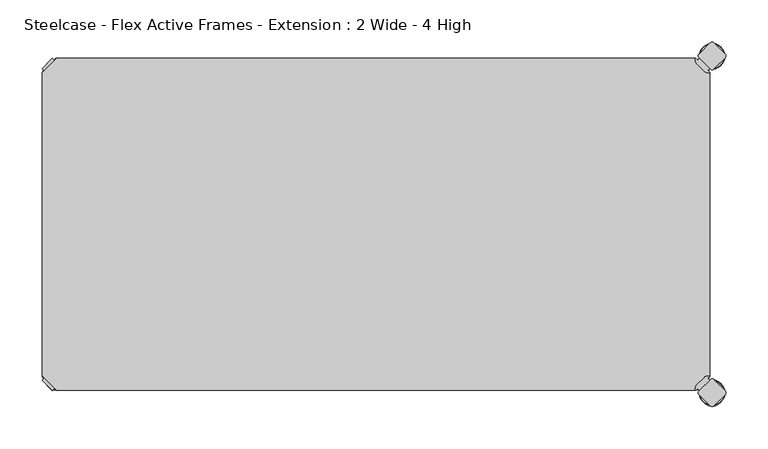
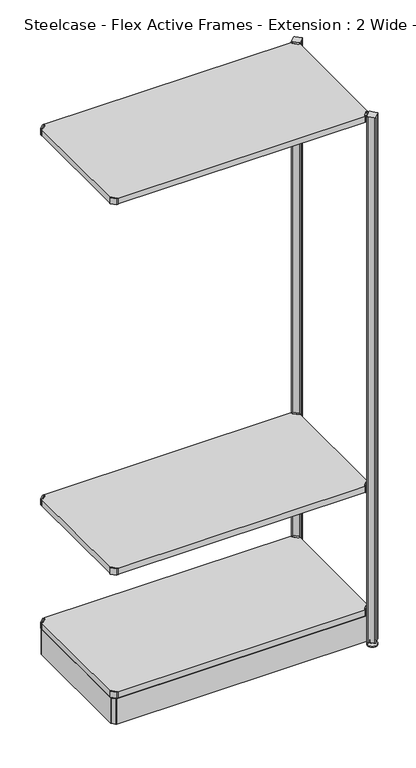
"""IFC4 building model written with IfcOpenShell, lengths in millimetres: furniture geometry, Steelcase - Flex Active Frames - Extension : 2 Wide - 4 High."""

from ifc_helpers import new_model, si_unit, point, frame, frame_2d, origin, place, context, project, spatial, polyline, circle_curve, ellipse_curve, trimmed, segment, composite_curve, outline, extrude, source, transform, mapped, element, save
from ifc_brep_helpers import plane_surface, cylinder_surface, revolved_surface, advanced_brep


def steelcase_flex_active_frames_extension_2_wide_4_high_0afe5132(model_context):
    return source(origin(), model_context, "Body", "SolidModel", [
        advanced_brep(
        [(795.4995166, -396.9286835, 0.0), (809.4482375, -396.9286835, 0.0), (781.5507958, -396.9286835, 0.0), (810.3951451, -396.9286835, 2.116325), (780.6038882, -396.9286835, 2.116325), (804.2429012, -396.9286835, 8.9997406), (786.7561321, -396.9286835, 8.9997406), (802.9003852, -396.9286835, 8.9997406), (788.0986481, -396.9286835, 8.9997406), (802.9003852, -396.9286835, 12.0919909), (788.0986481, -396.9286835, 12.0919909), (802.3923852, -396.9286835, 12.5999909), (788.6066481, -396.9286835, 12.5999909), (799.518847, -396.9286835, 12.5999909), (791.4801863, -396.9286835, 12.5999909), (799.518847, -396.9286835, 22.7146261), (791.4801863, -396.9286835, 22.7146261), (795.4995166, -396.9286835, 22.7146261)],
        [
            (0, 1),
            (1, 2, circle_curve(frame((795.4995166, -396.9286835, 0.0), z_axis=(0.0, 0.0, -1.0), x_axis=(1.0, 0.0, 0.0)), 13.9487209)),
            (2, 0),
            (2, 1, circle_curve(frame((795.4995166, -396.9286835, 0.0), z_axis=(0.0, 0.0, -1.0), x_axis=(1.0, 0.0, 0.0)), 13.9487209)),
            (1, 3, circle_curve(frame((809.4482375, -396.9286835, 1.27), z_axis=(0.0, -1.0, 0.0), x_axis=(1.0, 0.0, 0.0)), 1.27)),
            (3, 4, circle_curve(frame((795.4995166, -396.9286835, 2.116325), z_axis=(0.0, 0.0, -1.0), x_axis=(1.0, 0.0, 0.0)), 14.8956285)),
            (4, 2, circle_curve(frame((781.5507958, -396.9286835, 1.27), z_axis=(0.0, -1.0, 0.0), x_axis=(-1.0, 0.0, 0.0)), 1.27)),
            (4, 3, circle_curve(frame((795.4995166, -396.9286835, 2.116325), z_axis=(0.0, 0.0, -1.0), x_axis=(1.0, 0.0, 0.0)), 14.8956285)),
            (3, 5),
            (5, 6, circle_curve(frame((795.4995166, -396.9286835, 8.9997406), z_axis=(0.0, 0.0, -1.0), x_axis=(1.0, 0.0, 0.0)), 8.7433846)),
            (6, 4),
            (6, 5, circle_curve(frame((795.4995166, -396.9286835, 8.9997406), z_axis=(0.0, 0.0, -1.0), x_axis=(1.0, 0.0, 0.0)), 8.7433846)),
            (5, 7),
            (7, 8, circle_curve(frame((795.4995166, -396.9286835, 8.9997406), z_axis=(0.0, 0.0, -1.0), x_axis=(1.0, 0.0, 0.0)), 7.4008685)),
            (8, 6),
            (8, 7, circle_curve(frame((795.4995166, -396.9286835, 8.9997406), z_axis=(0.0, 0.0, -1.0), x_axis=(1.0, 0.0, 0.0)), 7.4008685)),
            (7, 9),
            (9, 10, circle_curve(frame((795.4995166, -396.9286835, 12.0919909), z_axis=(0.0, 0.0, -1.0), x_axis=(1.0, 0.0, 0.0)), 7.4008685)),
            (10, 8),
            (10, 9, circle_curve(frame((795.4995166, -396.9286835, 12.0919909), z_axis=(0.0, 0.0, -1.0), x_axis=(1.0, 0.0, 0.0)), 7.4008685)),
            (9, 11, circle_curve(frame((802.3923852, -396.9286835, 12.0919909), z_axis=(0.0, -1.0, 0.0), x_axis=(1.0, 0.0, 0.0)), 0.508)),
            (11, 12, circle_curve(frame((795.4995166, -396.9286835, 12.5999909), z_axis=(0.0, 0.0, -1.0), x_axis=(1.0, 0.0, 0.0)), 6.8928685)),
            (12, 10, circle_curve(frame((788.6066481, -396.9286835, 12.0919909), z_axis=(0.0, -1.0, 0.0), x_axis=(-1.0, 0.0, 0.0)), 0.508)),
            (12, 11, circle_curve(frame((795.4995166, -396.9286835, 12.5999909), z_axis=(0.0, 0.0, -1.0), x_axis=(1.0, 0.0, 0.0)), 6.8928685)),
            (11, 13),
            (13, 14, circle_curve(frame((795.4995166, -396.9286835, 12.5999909), z_axis=(0.0, 0.0, -1.0), x_axis=(1.0, 0.0, 0.0)), 4.0193303)),
            (14, 12),
            (14, 13, circle_curve(frame((795.4995166, -396.9286835, 12.5999909), z_axis=(0.0, 0.0, -1.0), x_axis=(1.0, 0.0, 0.0)), 4.0193303)),
            (13, 15),
            (15, 16, circle_curve(frame((795.4995166, -396.9286835, 22.7146261), z_axis=(0.0, 0.0, -1.0), x_axis=(1.0, 0.0, 0.0)), 4.0193303)),
            (16, 14),
            (16, 15, circle_curve(frame((795.4995166, -396.9286835, 22.7146261), z_axis=(0.0, 0.0, -1.0), x_axis=(1.0, 0.0, 0.0)), 4.0193303)),
            (15, 17),
            (17, 16),
        ],
        [
            plane_surface(frame((795.4995166, -396.9286835, 0.0), z_axis=(0.0, 0.0, -1.0), x_axis=(1.0, 0.0, 0.0))),
            revolved_surface(trimmed(ellipse_curve(frame((809.4482375, -396.9286835, 1.27), z_axis=(0.0, 1.0, 0.0), x_axis=(1.0, 0.0, 0.0)), 1.27, 1.27), [point((810.3951451, -396.9286835, 2.116325))], [point((809.4482375, -396.9286835, 0.0))], True, "CARTESIAN"), (795.4995166, -396.9286835, 32.0514718), (0.0, 0.0, -1.0)),
            revolved_surface(polyline([(804.2429012, -396.9286835, 8.9997406), (810.3951451, -396.9286835, 2.116325)]), (795.4995166, -396.9286835, 32.0514718), (0.0, 0.0, -1.0)),
            plane_surface(frame((795.4995166, -396.9286835, 8.9997406), z_axis=(0.0, 0.0, 1.0), x_axis=(1.0, 0.0, 0.0))),
            cylinder_surface(frame((795.4995166, -396.9286835, 32.0514718), z_axis=(0.0, 0.0, -1.0), x_axis=(1.0, 0.0, 0.0)), 7.4008685),
            revolved_surface(trimmed(ellipse_curve(frame((802.3923852, -396.9286835, 12.0919909), z_axis=(0.0, 1.0, 0.0), x_axis=(1.0, 0.0, 0.0)), 0.508, 0.508), [point((802.3923852, -396.9286835, 12.5999909))], [point((802.9003852, -396.9286835, 12.0919909))], True, "CARTESIAN"), (795.4995166, -396.9286835, 32.0514718), (0.0, 0.0, -1.0)),
            plane_surface(frame((795.4995166, -396.9286835, 12.5999909), z_axis=(0.0, 0.0, 1.0), x_axis=(1.0, 0.0, 0.0))),
            cylinder_surface(frame((795.4995166, -396.9286835, 32.0514718), z_axis=(0.0, 0.0, -1.0), x_axis=(1.0, 0.0, 0.0)), 4.0193303),
            plane_surface(frame((795.4995166, -396.9286835, 22.7146261), z_axis=(0.0, 0.0, 1.0), x_axis=(1.0, 0.0, 0.0))),
        ],
        [
            (0, [[1, 2, 3]]),
            (0, [[-3, 4, -1]]),
            (1, [[-2, 5, 6, 7]]),
            (1, [[-4, -7, 8, -5]]),
            (2, [[-6, 9, 10, 11]]),
            (2, [[-8, -11, 12, -9]]),
            (3, [[-10, 13, 14, 15]]),
            (3, [[-12, -15, 16, -13]]),
            (4, [[-14, 17, 18, 19]]),
            (4, [[-16, -19, 20, -17]]),
            (5, [[-18, 21, 22, 23]]),
            (5, [[-20, -23, 24, -21]]),
            (6, [[-22, 25, 26, 27]]),
            (6, [[-24, -27, 28, -25]]),
            (7, [[-26, 29, 30, 31]]),
            (7, [[-28, -31, 32, -29]]),
            (8, [[-30, 33, 34]]),
            (8, [[-32, -34, -33]]),
        ],
    ),
        advanced_brep(
        [(795.4995166, 2.9246323, 0.0), (781.5507958, 2.9246323, 0.0), (809.4482375, 2.9246323, 0.0), (780.6038882, 2.9246323, 2.116325), (810.3951451, 2.9246323, 2.116325), (786.7561321, 2.9246323, 8.9997406), (804.2429012, 2.9246323, 8.9997406), (788.0986481, 2.9246323, 8.9997406), (802.9003852, 2.9246323, 8.9997406), (788.0986481, 2.9246323, 12.0919909), (802.9003852, 2.9246323, 12.0919909), (788.6066481, 2.9246323, 12.5999909), (802.3923852, 2.9246323, 12.5999909), (791.4801863, 2.9246323, 12.5999909), (799.518847, 2.9246323, 12.5999909), (791.4801863, 2.9246323, 22.7146261), (799.518847, 2.9246323, 22.7146261), (795.4995166, 2.9246323, 22.7146261)],
        [
            (0, 1),
            (1, 2, circle_curve(frame((795.4995166, 2.9246323, 0.0), z_axis=(0.0, 0.0, -1.0), x_axis=(1.0, 0.0, 0.0)), 13.9487209)),
            (2, 0),
            (2, 1, circle_curve(frame((795.4995166, 2.9246323, 0.0), z_axis=(0.0, 0.0, -1.0), x_axis=(1.0, 0.0, 0.0)), 13.9487209)),
            (1, 3, circle_curve(frame((781.5507958, 2.9246323, 1.27), z_axis=(0.0, 1.0, 0.0), x_axis=(-1.0, 0.0, 0.0)), 1.27)),
            (3, 4, circle_curve(frame((795.4995166, 2.9246323, 2.116325), z_axis=(0.0, 0.0, -1.0), x_axis=(1.0, 0.0, 0.0)), 14.8956285)),
            (4, 2, circle_curve(frame((809.4482375, 2.9246323, 1.27), z_axis=(0.0, 1.0, 0.0), x_axis=(1.0, 0.0, 0.0)), 1.27)),
            (4, 3, circle_curve(frame((795.4995166, 2.9246323, 2.116325), z_axis=(0.0, 0.0, -1.0), x_axis=(1.0, 0.0, 0.0)), 14.8956285)),
            (3, 5),
            (5, 6, circle_curve(frame((795.4995166, 2.9246323, 8.9997406), z_axis=(0.0, 0.0, -1.0), x_axis=(1.0, 0.0, 0.0)), 8.7433846)),
            (6, 4),
            (6, 5, circle_curve(frame((795.4995166, 2.9246323, 8.9997406), z_axis=(0.0, 0.0, -1.0), x_axis=(1.0, 0.0, 0.0)), 8.7433846)),
            (5, 7),
            (7, 8, circle_curve(frame((795.4995166, 2.9246323, 8.9997406), z_axis=(0.0, 0.0, -1.0), x_axis=(1.0, 0.0, 0.0)), 7.4008685)),
            (8, 6),
            (8, 7, circle_curve(frame((795.4995166, 2.9246323, 8.9997406), z_axis=(0.0, 0.0, -1.0), x_axis=(1.0, 0.0, 0.0)), 7.4008685)),
            (7, 9),
            (9, 10, circle_curve(frame((795.4995166, 2.9246323, 12.0919909), z_axis=(0.0, 0.0, -1.0), x_axis=(1.0, 0.0, 0.0)), 7.4008685)),
            (10, 8),
            (10, 9, circle_curve(frame((795.4995166, 2.9246323, 12.0919909), z_axis=(0.0, 0.0, -1.0), x_axis=(1.0, 0.0, 0.0)), 7.4008685)),
            (9, 11, circle_curve(frame((788.6066481, 2.9246323, 12.0919909), z_axis=(0.0, 1.0, 0.0), x_axis=(-1.0, 0.0, 0.0)), 0.508)),
            (11, 12, circle_curve(frame((795.4995166, 2.9246323, 12.5999909), z_axis=(0.0, 0.0, -1.0), x_axis=(1.0, 0.0, 0.0)), 6.8928685)),
            (12, 10, circle_curve(frame((802.3923852, 2.9246323, 12.0919909), z_axis=(0.0, 1.0, 0.0), x_axis=(1.0, 0.0, 0.0)), 0.508)),
            (12, 11, circle_curve(frame((795.4995166, 2.9246323, 12.5999909), z_axis=(0.0, 0.0, -1.0), x_axis=(1.0, 0.0, 0.0)), 6.8928685)),
            (11, 13),
            (13, 14, circle_curve(frame((795.4995166, 2.9246323, 12.5999909), z_axis=(0.0, 0.0, -1.0), x_axis=(1.0, 0.0, 0.0)), 4.0193303)),
            (14, 12),
            (14, 13, circle_curve(frame((795.4995166, 2.9246323, 12.5999909), z_axis=(0.0, 0.0, -1.0), x_axis=(1.0, 0.0, 0.0)), 4.0193303)),
            (13, 15),
            (15, 16, circle_curve(frame((795.4995166, 2.9246323, 22.7146261), z_axis=(0.0, 0.0, -1.0), x_axis=(1.0, 0.0, 0.0)), 4.0193303)),
            (16, 14),
            (16, 15, circle_curve(frame((795.4995166, 2.9246323, 22.7146261), z_axis=(0.0, 0.0, -1.0), x_axis=(1.0, 0.0, 0.0)), 4.0193303)),
            (15, 17),
            (17, 16),
        ],
        [
            plane_surface(frame((795.4995166, 2.9246323, 0.0), z_axis=(0.0, 0.0, -1.0), x_axis=(1.0, 0.0, 0.0))),
            revolved_surface(trimmed(ellipse_curve(frame((809.4482375, 2.9246323, 1.27), z_axis=(0.0, 1.0, 0.0), x_axis=(1.0, 0.0, 0.0)), 1.27, 1.27), [point((810.3951451, 2.9246323, 2.116325))], [point((809.4482375, 2.9246323, 0.0))], True, "CARTESIAN"), (795.4995166, 2.9246323, 32.0514718), (0.0, 0.0, -1.0)),
            revolved_surface(polyline([(804.2429012, 2.9246323, 8.9997406), (810.3951451, 2.9246323, 2.116325)]), (795.4995166, 2.9246323, 32.0514718), (0.0, 0.0, -1.0)),
            plane_surface(frame((795.4995166, 2.9246323, 8.9997406), z_axis=(0.0, 0.0, 1.0), x_axis=(1.0, 0.0, 0.0))),
            cylinder_surface(frame((795.4995166, 2.9246323, 32.0514718), z_axis=(0.0, 0.0, -1.0), x_axis=(1.0, 0.0, 0.0)), 7.4008685),
            revolved_surface(trimmed(ellipse_curve(frame((802.3923852, 2.9246323, 12.0919909), z_axis=(0.0, 1.0, 0.0), x_axis=(1.0, 0.0, 0.0)), 0.508, 0.508), [point((802.3923852, 2.9246323, 12.5999909))], [point((802.9003852, 2.9246323, 12.0919909))], True, "CARTESIAN"), (795.4995166, 2.9246323, 32.0514718), (0.0, 0.0, -1.0)),
            plane_surface(frame((795.4995166, 2.9246323, 12.5999909), z_axis=(0.0, 0.0, 1.0), x_axis=(1.0, 0.0, 0.0))),
            cylinder_surface(frame((795.4995166, 2.9246323, 32.0514718), z_axis=(0.0, 0.0, -1.0), x_axis=(1.0, 0.0, 0.0)), 4.0193303),
            plane_surface(frame((795.4995166, 2.9246323, 22.7146261), z_axis=(0.0, 0.0, 1.0), x_axis=(1.0, 0.0, 0.0))),
        ],
        [
            (0, [[1, 2, 3]]),
            (0, [[-3, 4, -1]]),
            (1, [[5, 6, 7, -2]]),
            (1, [[-7, 8, -5, -4]]),
            (2, [[9, 10, 11, -6]]),
            (2, [[-11, 12, -9, -8]]),
            (3, [[13, 14, 15, -10]]),
            (3, [[-15, 16, -13, -12]]),
            (4, [[17, 18, 19, -14]]),
            (4, [[-19, 20, -17, -16]]),
            (5, [[21, 22, 23, -18]]),
            (5, [[-23, 24, -21, -20]]),
            (6, [[25, 26, 27, -22]]),
            (6, [[-27, 28, -25, -24]]),
            (7, [[29, 30, 31, -26]]),
            (7, [[-31, 32, -29, -28]]),
            (8, [[33, 34, -30]]),
            (8, [[-34, -33, -32]]),
        ],
    ),
        extrude(outline(composite_curve([segment(polyline([(778.3364357, -1.93874), (780.4244011, 0.1493247), (792.6187028, -12.044977), (790.530772, -14.1329326), (792.5017057, -16.1038431), (792.4895198, -17.203916), (789.7543812, -16.8384277)]), True, "CONTINUOUS"), segment(trimmed(circle_curve(frame_2d((790.5954366, -10.5443729)), 6.35), [point((789.7543812, -16.8384277))], [point((786.1052784, -15.0344708))], False, "CARTESIAN"), True, "CONTINUOUS"), segment(polyline([(786.1052784, -15.0344708), (777.4359854, -6.3650612)]), True, "CONTINUOUS"), segment(trimmed(circle_curve(frame_2d((781.9261436, -1.8749633)), 6.35), [point((777.4359854, -6.3650612))], [point((775.6321123, -2.7161946))], False, "CARTESIAN"), True, "CONTINUOUS"), segment(polyline([(775.6321123, -2.7161946), (775.26654, 0.0189911), (776.3664729, 0.0311996), (778.3364357, -1.93874)]), True, "CONTINUOUS")], self_intersect=False)), frame((0.0, 0.0, 1696.4822044), z_axis=(0.0, 0.0, 1.0), x_axis=(1.0, 0.0, 0.0)), (0.0, 0.0, 1.0), 20.2281258),
        extrude(outline(composite_curve([segment(polyline([(778.3364357, -392.01526), (776.3664729, -393.9851996), (775.26654, -393.9729911), (775.6321123, -391.2378054)]), True, "CONTINUOUS"), segment(trimmed(circle_curve(frame_2d((781.9261436, -392.0790367)), 6.35), [point((775.6321123, -391.2378054))], [point((777.4359854, -387.5889388))], False, "CARTESIAN"), True, "CONTINUOUS"), segment(polyline([(777.4359854, -387.5889388), (786.1052784, -378.9195292)]), True, "CONTINUOUS"), segment(trimmed(circle_curve(frame_2d((790.5954366, -383.4096271)), 6.35), [point((786.1052784, -378.9195292))], [point((789.7543812, -377.1155723))], False, "CARTESIAN"), True, "CONTINUOUS"), segment(polyline([(789.7543812, -377.1155723), (792.4895198, -376.750084), (792.5017057, -377.8501569), (790.530772, -379.8210674), (792.6187028, -381.909023), (780.4244011, -394.1033247), (778.3364357, -392.01526)]), True, "CONTINUOUS")], self_intersect=False)), frame((0.0, 0.0, 1696.4822044), z_axis=(0.0, 0.0, 1.0), x_axis=(1.0, 0.0, 0.0)), (0.0, 0.0, 1.0), 20.2281258),
        extrude(outline(polyline([(0.0003876, -376.7599914), (0.0003876, -17.1940086), (17.1943962, 0.0), (775.2856038, 0.0), (792.4796124, -17.1940086), (792.4796124, -376.7599914), (775.2856038, -393.954), (17.1943962, -393.954), (0.0003876, -376.7599914)])), frame((0.0, 0.0, 1697.4996811), z_axis=(0.0, 0.0, 1.0), x_axis=(1.0, 0.0, 0.0)), (0.0, 0.0, 1.0), 19.0000031),
        extrude(outline(composite_curve([segment(polyline([(14.1435643, -1.93874), (16.1135271, 0.0311996), (17.21346, 0.0189911), (16.8478877, -2.7161946)]), True, "CONTINUOUS"), segment(trimmed(circle_curve(frame_2d((10.5538564, -1.8749633)), 6.35), [point((16.8478877, -2.7161946))], [point((15.0440146, -6.3650612))], False, "CARTESIAN"), True, "CONTINUOUS"), segment(polyline([(15.0440146, -6.3650612), (6.3747216, -15.0344708)]), True, "CONTINUOUS"), segment(trimmed(circle_curve(frame_2d((1.8845634, -10.5443729)), 6.35), [point((6.3747216, -15.0344708))], [point((2.7256188, -16.8384277))], False, "CARTESIAN"), True, "CONTINUOUS"), segment(polyline([(2.7256188, -16.8384277), (-0.0095198, -17.203916), (-0.0217057, -16.1038431), (1.949228, -14.1329326), (-0.1387028, -12.044977), (12.0555989, 0.1493247), (14.1435643, -1.93874)]), True, "CONTINUOUS")], self_intersect=False)), frame((0.0, 0.0, 1696.4822044), z_axis=(0.0, 0.0, 1.0), x_axis=(1.0, 0.0, 0.0)), (0.0, 0.0, 1.0), 20.2281258),
        extrude(outline(composite_curve([segment(polyline([(14.1435643, -392.01526), (12.0555989, -394.1033247), (-0.1387028, -381.909023), (1.949228, -379.8210674), (-0.0217057, -377.8501569), (-0.0095198, -376.750084), (2.7256188, -377.1155723)]), True, "CONTINUOUS"), segment(trimmed(circle_curve(frame_2d((1.8845634, -383.4096271)), 6.35), [point((2.7256188, -377.1155723))], [point((6.3747216, -378.9195292))], False, "CARTESIAN"), True, "CONTINUOUS"), segment(polyline([(6.3747216, -378.9195292), (15.0440146, -387.5889388)]), True, "CONTINUOUS"), segment(trimmed(circle_curve(frame_2d((10.5538564, -392.0790367)), 6.35), [point((15.0440146, -387.5889388))], [point((16.8478877, -391.2378054))], False, "CARTESIAN"), True, "CONTINUOUS"), segment(polyline([(16.8478877, -391.2378054), (17.21346, -393.9729911), (16.1135271, -393.9851996), (14.1435643, -392.01526)]), True, "CONTINUOUS")], self_intersect=False)), frame((0.0, 0.0, 1696.4822044), z_axis=(0.0, 0.0, 1.0), x_axis=(1.0, 0.0, 0.0)), (0.0, 0.0, 1.0), 20.2281258),
        extrude(outline(composite_curve([segment(polyline([(778.3364357, -1.93874), (780.4244011, 0.1493247), (792.6187028, -12.044977), (790.530772, -14.1329326), (792.5017057, -16.1038431), (792.4895198, -17.203916), (789.7543812, -16.8384277)]), True, "CONTINUOUS"), segment(trimmed(circle_curve(frame_2d((790.5954366, -10.5443729)), 6.35), [point((789.7543812, -16.8384277))], [point((786.1052784, -15.0344708))], False, "CARTESIAN"), True, "CONTINUOUS"), segment(polyline([(786.1052784, -15.0344708), (777.4359854, -6.3650612)]), True, "CONTINUOUS"), segment(trimmed(circle_curve(frame_2d((781.9261436, -1.8749633)), 6.35), [point((777.4359854, -6.3650612))], [point((775.6321123, -2.7161946))], False, "CARTESIAN"), True, "CONTINUOUS"), segment(polyline([(775.6321123, -2.7161946), (775.26654, 0.0189911), (776.3664729, 0.0311996), (778.3364357, -1.93874)]), True, "CONTINUOUS")], self_intersect=False)), frame((0.0, 0.0, 496.4821468), z_axis=(0.0, 0.0, 1.0), x_axis=(1.0, 0.0, 0.0)), (0.0, 0.0, 1.0), 20.2281258),
        extrude(outline(composite_curve([segment(polyline([(778.3364357, -392.01526), (776.3664729, -393.9851996), (775.26654, -393.9729911), (775.6321123, -391.2378054)]), True, "CONTINUOUS"), segment(trimmed(circle_curve(frame_2d((781.9261436, -392.0790367)), 6.35), [point((775.6321123, -391.2378054))], [point((777.4359854, -387.5889388))], False, "CARTESIAN"), True, "CONTINUOUS"), segment(polyline([(777.4359854, -387.5889388), (786.1052784, -378.9195292)]), True, "CONTINUOUS"), segment(trimmed(circle_curve(frame_2d((790.5954366, -383.4096271)), 6.35), [point((786.1052784, -378.9195292))], [point((789.7543812, -377.1155723))], False, "CARTESIAN"), True, "CONTINUOUS"), segment(polyline([(789.7543812, -377.1155723), (792.4895198, -376.750084), (792.5017057, -377.8501569), (790.530772, -379.8210674), (792.6187028, -381.909023), (780.4244011, -394.1033247), (778.3364357, -392.01526)]), True, "CONTINUOUS")], self_intersect=False)), frame((0.0, 0.0, 496.4821468), z_axis=(0.0, 0.0, 1.0), x_axis=(1.0, 0.0, 0.0)), (0.0, 0.0, 1.0), 20.2281258),
        extrude(outline(composite_curve([segment(polyline([(778.3364357, -1.93874), (780.4244011, 0.1493247), (792.6187028, -12.044977), (790.530772, -14.1329326), (792.5017057, -16.1038431), (792.4895198, -17.203916), (789.7543812, -16.8384277)]), True, "CONTINUOUS"), segment(trimmed(circle_curve(frame_2d((790.5954366, -10.5443729)), 6.35), [point((789.7543812, -16.8384277))], [point((786.1052784, -15.0344708))], False, "CARTESIAN"), True, "CONTINUOUS"), segment(polyline([(786.1052784, -15.0344708), (777.4359854, -6.3650612)]), True, "CONTINUOUS"), segment(trimmed(circle_curve(frame_2d((781.9261436, -1.8749633)), 6.35), [point((777.4359854, -6.3650612))], [point((775.6321123, -2.7161946))], False, "CARTESIAN"), True, "CONTINUOUS"), segment(polyline([(775.6321123, -2.7161946), (775.26654, 0.0189911), (776.3664729, 0.0311996), (778.3364357, -1.93874)]), True, "CONTINUOUS")], self_intersect=False)), frame((0.0, 0.0, 96.4824829), z_axis=(0.0, 0.0, 1.0), x_axis=(1.0, 0.0, 0.0)), (0.0, 0.0, 1.0), 20.2281258),
        extrude(outline(composite_curve([segment(polyline([(778.3364357, -392.01526), (776.3664729, -393.9851996), (775.26654, -393.9729911), (775.6321123, -391.2378054)]), True, "CONTINUOUS"), segment(trimmed(circle_curve(frame_2d((781.9261436, -392.0790367)), 6.35), [point((775.6321123, -391.2378054))], [point((777.4359854, -387.5889388))], False, "CARTESIAN"), True, "CONTINUOUS"), segment(polyline([(777.4359854, -387.5889388), (786.1052784, -378.9195292)]), True, "CONTINUOUS"), segment(trimmed(circle_curve(frame_2d((790.5954366, -383.4096271)), 6.35), [point((786.1052784, -378.9195292))], [point((789.7543812, -377.1155723))], False, "CARTESIAN"), True, "CONTINUOUS"), segment(polyline([(789.7543812, -377.1155723), (792.4895198, -376.750084), (792.5017057, -377.8501569), (790.530772, -379.8210674), (792.6187028, -381.909023), (780.4244011, -394.1033247), (778.3364357, -392.01526)]), True, "CONTINUOUS")], self_intersect=False)), frame((0.0, 0.0, 96.4824829), z_axis=(0.0, 0.0, 1.0), x_axis=(1.0, 0.0, 0.0)), (0.0, 0.0, 1.0), 20.2281258),
        extrude(outline(composite_curve([segment(trimmed(circle_curve(frame_2d((808.8538021, 2.9983545)), 3.048), [point((811.0090767, 5.1536029))], [point((811.0090505, 0.8430799))], False, "CARTESIAN"), True, "CONTINUOUS"), segment(polyline([(811.0090505, 0.8430799), (797.6462856, -12.5195224)]), True, "CONTINUOUS"), segment(trimmed(circle_curve(frame_2d((795.4910373, -10.3642478)), 3.048), [point((797.6462856, -12.5195224))], [point((793.3357649, -12.5194983))], False, "CARTESIAN"), True, "CONTINUOUS"), segment(polyline([(793.3357649, -12.5194983), (779.9732856, 0.8431164)]), True, "CONTINUOUS"), segment(trimmed(circle_curve(frame_2d((782.128558, 2.998367)), 3.048), [point((779.9732856, 0.8431164))], [point((779.9732965, 5.1536284))], False, "CARTESIAN"), True, "CONTINUOUS"), segment(polyline([(779.9732965, 5.1536284), (793.3359936, 18.5163256)]), True, "CONTINUOUS"), segment(trimmed(circle_curve(frame_2d((795.4912551, 16.3610641)), 3.048), [point((793.3359936, 18.5163256))], [point((797.6465297, 18.5163124))], False, "CARTESIAN"), True, "CONTINUOUS"), segment(polyline([(797.6465297, 18.5163124), (811.0090767, 5.1536029)]), True, "CONTINUOUS")], self_intersect=False)), frame((0.0, 0.0, 12.5999909), z_axis=(0.0, 0.0, 1.0), x_axis=(1.0, 0.0, 0.0)), (0.0, 0.0, 1.0), 1703.9320091),
        extrude(outline(composite_curve([segment(polyline([(811.0090767, -399.1076029), (797.6465297, -412.4703124)]), True, "CONTINUOUS"), segment(trimmed(circle_curve(frame_2d((795.4912551, -410.3150641)), 3.048), [point((797.6465297, -412.4703124))], [point((793.3359936, -412.4703256))], False, "CARTESIAN"), True, "CONTINUOUS"), segment(polyline([(793.3359936, -412.4703256), (779.9732965, -399.1076284)]), True, "CONTINUOUS"), segment(trimmed(circle_curve(frame_2d((782.128558, -396.952367)), 3.048), [point((779.9732965, -399.1076284))], [point((779.9732856, -394.7971164))], False, "CARTESIAN"), True, "CONTINUOUS"), segment(polyline([(779.9732856, -394.7971164), (793.3357649, -381.4345017)]), True, "CONTINUOUS"), segment(trimmed(circle_curve(frame_2d((795.4910373, -383.5897522)), 3.048), [point((793.3357649, -381.4345017))], [point((797.6462856, -381.4344776))], False, "CARTESIAN"), True, "CONTINUOUS"), segment(polyline([(797.6462856, -381.4344776), (811.0090505, -394.7970799)]), True, "CONTINUOUS"), segment(trimmed(circle_curve(frame_2d((808.8538021, -396.9523545)), 3.048), [point((811.0090505, -394.7970799))], [point((811.0090767, -399.1076029))], False, "CARTESIAN"), True, "CONTINUOUS")], self_intersect=False)), frame((0.0, 0.0, 12.5999909), z_axis=(0.0, 0.0, 1.0), x_axis=(1.0, 0.0, 0.0)), (0.0, 0.0, 1.0), 1703.9320091),
        extrude(outline(polyline([(0.0003876, -376.7599914), (0.0003876, -17.1940086), (17.1943962, 0.0), (775.2856038, 0.0), (792.4796124, -17.1940086), (792.4796124, -376.7599914), (775.2856038, -393.954), (17.1943962, -393.954), (0.0003876, -376.7599914)])), frame((0.0, 0.0, 97.4999596), z_axis=(0.0, 0.0, 1.0), x_axis=(1.0, 0.0, 0.0)), (0.0, 0.0, 1.0), 19.0000031),
        extrude(outline(composite_curve([segment(polyline([(14.1435643, -1.93874), (16.1135271, 0.0311996), (17.21346, 0.0189911), (16.8478877, -2.7161946)]), True, "CONTINUOUS"), segment(trimmed(circle_curve(frame_2d((10.5538564, -1.8749633)), 6.35), [point((16.8478877, -2.7161946))], [point((15.0440146, -6.3650612))], False, "CARTESIAN"), True, "CONTINUOUS"), segment(polyline([(15.0440146, -6.3650612), (6.3747216, -15.0344708)]), True, "CONTINUOUS"), segment(trimmed(circle_curve(frame_2d((1.8845634, -10.5443729)), 6.35), [point((6.3747216, -15.0344708))], [point((2.7256188, -16.8384277))], False, "CARTESIAN"), True, "CONTINUOUS"), segment(polyline([(2.7256188, -16.8384277), (-0.0095198, -17.203916), (-0.0217057, -16.1038431), (1.949228, -14.1329326), (-0.1387028, -12.044977), (12.0555989, 0.1493247), (14.1435643, -1.93874)]), True, "CONTINUOUS")], self_intersect=False)), frame((0.0, 0.0, 96.4824829), z_axis=(0.0, 0.0, 1.0), x_axis=(1.0, 0.0, 0.0)), (0.0, 0.0, 1.0), 20.2281258),
        extrude(outline(composite_curve([segment(polyline([(14.1435643, -392.01526), (12.0555989, -394.1033247), (-0.1387028, -381.909023), (1.949228, -379.8210674), (-0.0217057, -377.8501569), (-0.0095198, -376.750084), (2.7256188, -377.1155723)]), True, "CONTINUOUS"), segment(trimmed(circle_curve(frame_2d((1.8845634, -383.4096271)), 6.35), [point((2.7256188, -377.1155723))], [point((6.3747216, -378.9195292))], False, "CARTESIAN"), True, "CONTINUOUS"), segment(polyline([(6.3747216, -378.9195292), (15.0440146, -387.5889388)]), True, "CONTINUOUS"), segment(trimmed(circle_curve(frame_2d((10.5538564, -392.0790367)), 6.35), [point((15.0440146, -387.5889388))], [point((16.8478877, -391.2378054))], False, "CARTESIAN"), True, "CONTINUOUS"), segment(polyline([(16.8478877, -391.2378054), (17.21346, -393.9729911), (16.1135271, -393.9851996), (14.1435643, -392.01526)]), True, "CONTINUOUS")], self_intersect=False)), frame((0.0, 0.0, 96.4824829), z_axis=(0.0, 0.0, 1.0), x_axis=(1.0, 0.0, 0.0)), (0.0, 0.0, 1.0), 20.2281258),
        extrude(outline(polyline([(0.0003876, -376.7599914), (0.0003876, -17.1940086), (17.1943962, 0.0), (775.2856038, 0.0), (792.4796124, -17.1940086), (792.4796124, -376.7599914), (775.2856038, -393.954), (17.1943962, -393.954), (0.0003876, -376.7599914)])), frame((0.0, 0.0, 497.4996235), z_axis=(0.0, 0.0, 1.0), x_axis=(1.0, 0.0, 0.0)), (0.0, 0.0, 1.0), 19.0000031),
        extrude(outline(composite_curve([segment(polyline([(14.1435643, -1.93874), (16.1135271, 0.0311996), (17.21346, 0.0189911), (16.8478877, -2.7161946)]), True, "CONTINUOUS"), segment(trimmed(circle_curve(frame_2d((10.5538564, -1.8749633)), 6.35), [point((16.8478877, -2.7161946))], [point((15.0440146, -6.3650612))], False, "CARTESIAN"), True, "CONTINUOUS"), segment(polyline([(15.0440146, -6.3650612), (6.3747216, -15.0344708)]), True, "CONTINUOUS"), segment(trimmed(circle_curve(frame_2d((1.8845634, -10.5443729)), 6.35), [point((6.3747216, -15.0344708))], [point((2.7256188, -16.8384277))], False, "CARTESIAN"), True, "CONTINUOUS"), segment(polyline([(2.7256188, -16.8384277), (-0.0095198, -17.203916), (-0.0217057, -16.1038431), (1.949228, -14.1329326), (-0.1387028, -12.044977), (12.0555989, 0.1493247), (14.1435643, -1.93874)]), True, "CONTINUOUS")], self_intersect=False)), frame((0.0, 0.0, 496.4821468), z_axis=(0.0, 0.0, 1.0), x_axis=(1.0, 0.0, 0.0)), (0.0, 0.0, 1.0), 20.2281258),
        extrude(outline(composite_curve([segment(polyline([(14.1435643, -392.01526), (12.0555989, -394.1033247), (-0.1387028, -381.909023), (1.949228, -379.8210674), (-0.0217057, -377.8501569), (-0.0095198, -376.750084), (2.7256188, -377.1155723)]), True, "CONTINUOUS"), segment(trimmed(circle_curve(frame_2d((1.8845634, -383.4096271)), 6.35), [point((2.7256188, -377.1155723))], [point((6.3747216, -378.9195292))], False, "CARTESIAN"), True, "CONTINUOUS"), segment(polyline([(6.3747216, -378.9195292), (15.0440146, -387.5889388)]), True, "CONTINUOUS"), segment(trimmed(circle_curve(frame_2d((10.5538564, -392.0790367)), 6.35), [point((15.0440146, -387.5889388))], [point((16.8478877, -391.2378054))], False, "CARTESIAN"), True, "CONTINUOUS"), segment(polyline([(16.8478877, -391.2378054), (17.21346, -393.9729911), (16.1135271, -393.9851996), (14.1435643, -392.01526)]), True, "CONTINUOUS")], self_intersect=False)), frame((0.0, 0.0, 496.4821468), z_axis=(0.0, 0.0, 1.0), x_axis=(1.0, 0.0, 0.0)), (0.0, 0.0, 1.0), 20.2281258),
        extrude(outline(composite_curve([segment(polyline([(12.155908, -1.0018273), (780.3465262, -1.0019264)]), True, "CONTINUOUS"), segment(trimmed(circle_curve(frame_2d((780.3240926, -3.5418273)), 2.54), [point((780.3465262, -1.0019264))], [point((782.1201439, -1.7457761))], False, "CARTESIAN"), True, "CONTINUOUS"), segment(polyline([(782.1201439, -1.7457761), (790.7284839, -10.3541161)]), True, "CONTINUOUS"), segment(trimmed(circle_curve(frame_2d((788.9324327, -12.1501673)), 2.54), [point((790.7284839, -10.3541161))], [point((791.4724327, -12.1501687))], False, "CARTESIAN"), True, "CONTINUOUS"), segment(polyline([(791.4724327, -12.1501687), (791.4722349, -381.8355295)]), True, "CONTINUOUS"), segment(trimmed(circle_curve(frame_2d((788.9324327, -381.8038327)), 2.54), [point((791.4722349, -381.8355295))], [point((790.7284839, -383.5998839))], False, "CARTESIAN"), True, "CONTINUOUS"), segment(polyline([(790.7284839, -383.5998839), (782.1201439, -392.2082239)]), True, "CONTINUOUS"), segment(trimmed(circle_curve(frame_2d((780.3240926, -390.4121727)), 2.54), [point((782.1201439, -392.2082239))], [point((780.3465262, -392.9520736))], False, "CARTESIAN"), True, "CONTINUOUS"), segment(polyline([(780.3465262, -392.9520736), (12.155908, -392.9521727)]), True, "CONTINUOUS"), segment(trimmed(circle_curve(frame_2d((12.1559074, -390.4121727)), 2.54), [point((12.155908, -392.9521727))], [point((10.3598561, -392.2082239))], False, "CARTESIAN"), True, "CONTINUOUS"), segment(polyline([(10.3598561, -392.2082239), (1.7515161, -383.5998839)]), True, "CONTINUOUS"), segment(trimmed(circle_curve(frame_2d((3.5475673, -381.8038327)), 2.54), [point((1.7515161, -383.5998839))], [point((1.0077651, -381.8355295))], False, "CARTESIAN"), True, "CONTINUOUS"), segment(polyline([(1.0077651, -381.8355295), (1.0075673, -12.1501687)]), True, "CONTINUOUS"), segment(trimmed(circle_curve(frame_2d((3.5475673, -12.1501673)), 2.54), [point((1.0075673, -12.1501687))], [point((1.7515161, -10.3541161))], False, "CARTESIAN"), True, "CONTINUOUS"), segment(polyline([(1.7515161, -10.3541161), (10.3598561, -1.7457761)]), True, "CONTINUOUS"), segment(trimmed(circle_curve(frame_2d((12.1559074, -3.5418273)), 2.54), [point((10.3598561, -1.7457761))], [point((12.155908, -1.0018273))], False, "CARTESIAN"), True, "CONTINUOUS")], self_intersect=False)), frame((0.0, 0.0, 12.5999909), z_axis=(0.0, 0.0, 1.0), x_axis=(1.0, 0.0, 0.0)), (0.0, 0.0, 1.0), 82.39977),
    ])


if __name__ == "__main__":
    model = new_model("IFC4")
    model_context = context("Model", 3, world=origin())
    ifc_project = project(units=[si_unit("LENGTHUNIT", "METRE", prefix="MILLI")], contexts=[model_context])
    site = spatial("IfcSite", under=ifc_project)
    building = spatial("IfcBuilding", under=site)
    placement = place(None, origin())
    steelcase_flex_active_frames_extension_2_wide_4_high_shape = steelcase_flex_active_frames_extension_2_wide_4_high_0afe5132(model_context)
    element("IfcFurniture", 1, ObjectType="Steelcase - Flex Active Frames - Extension : 2 Wide - 4 High", at=placement, inside=building, context=model_context, shape_type="MappedRepresentation", body=[
        mapped(steelcase_flex_active_frames_extension_2_wide_4_high_shape, transform((0.0, 0.0, 0.0), x_axis=(1.0, 0.0, 0.0), y_axis=(0.0, 1.0, 0.0), z_axis=(0.0, 0.0, 1.0))),
    ])
    save(model, "model.ifc")
